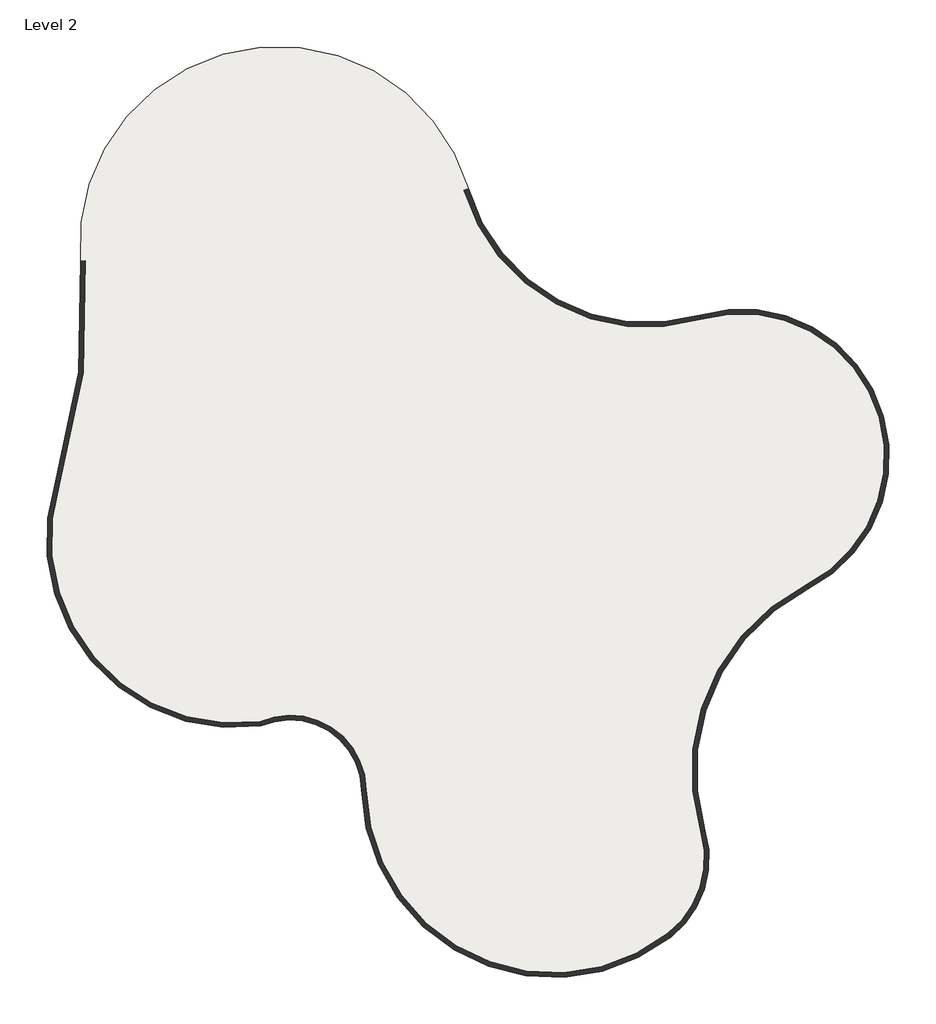
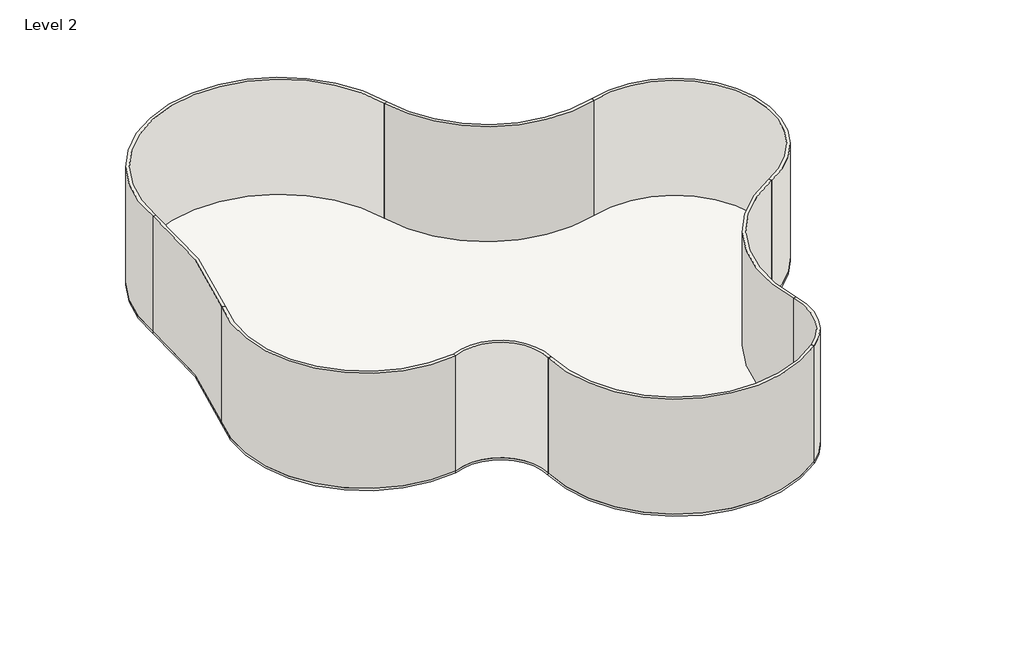
# One storey: 9 walls, 1 slab.
"""IFC4 building model written with IfcOpenShell, lengths in millimetres."""

from ifc_helpers import new_model, si_unit, point, frame, frame_2d, origin, place, context, project, spatial, polyline, circle_curve, trimmed, segment, composite_curve, outline, extrude, element, save

model = new_model("IFC4")

# Units and contexts
model_context = context("Model", 3, world=origin())
ifc_project = project(units=[si_unit("LENGTHUNIT", "METRE", prefix="MILLI")], contexts=[model_context])

# Site, building, storey
site = spatial("IfcSite", under=ifc_project)
building = spatial("IfcBuilding", under=site)
storey = spatial("IfcBuildingStorey", under=building, Name="Level 2", Elevation=4000.0)

# Slab
placement = place(None, origin())
element("IfcSlab", 1, ObjectType="Generic 150mm", at=placement, inside=storey, context=model_context, shape_type="SweptSolid", body=[
    extrude(outline(composite_curve([segment(trimmed(circle_curve(frame_2d((7244.6925722, 20094.4801624)), 8253.3931996), [point((-673.1312016, 17764.9810761))], [point((9574.1916586, 12176.6563886))], True, "CARTESIAN"), True, "CONTINUOUS"), segment(trimmed(circle_curve(frame_2d((11423.5450735, 5890.8181495)), 6552.2416333), [point((9574.1916586, 12176.6563886))], [point((14397.3346448, 52.286998))], False, "CARTESIAN"), True, "CONTINUOUS"), segment(trimmed(circle_curve(frame_2d((18528.0765848, -8057.7237869)), 9101.3902183), [point((14397.3346448, 52.286998))], [point((9806.7743963, -10660.4515952))], True, "CARTESIAN"), True, "CONTINUOUS"), segment(trimmed(circle_curve(frame_2d((5603.7825889, -11914.7647033)), 4386.1647834), [point((9806.7743963, -10660.4515952))], [point((8297.7639542, -15376.1092268))], False, "CARTESIAN"), True, "CONTINUOUS"), segment(trimmed(circle_curve(frame_2d((3080.7002973, -8672.9987488)), 8494.0828393), [point((8297.7639542, -15376.1092268))], [point((-5411.5827115, -8847.8489097))], False, "CARTESIAN"), True, "CONTINUOUS"), segment(trimmed(circle_curve(frame_2d((-8571.8771711, -8912.9171599)), 3160.9642434), [point((-5411.5827115, -8847.8489097))], [point((-9859.9998807, -6026.3214429))], True, "CARTESIAN"), True, "CONTINUOUS"), segment(trimmed(circle_curve(frame_2d((-10999.6289551, 2275.5706585)), 8379.7474241), [point((-9859.9998807, -6026.3214429))], [point((-18981.8585127, 4825.8996923))], False, "CARTESIAN"), True, "CONTINUOUS"), segment(trimmed(circle_curve(frame_2d((-43027.8245848, 12508.6060059)), 25243.4637212), [point((-18981.8585127, 4825.8996923))], [point((-17868.4180135, 14566.93582))], True, "CARTESIAN"), True, "CONTINUOUS"), segment(trimmed(circle_curve(frame_2d((-9106.6973022, 15283.7456903)), 8790.9934714), [point((-17868.4180135, 14566.93582))], [point((-673.1312016, 17764.9810761))], False, "CARTESIAN"), True, "CONTINUOUS")], self_intersect=False)), frame((0.0, 0.0, 3850.0), z_axis=(0.0, 0.0, 1.0), x_axis=(1.0, 0.0, 0.0)), (0.0, 0.0, 1.0), 150.0),
])

# Walls
element("IfcWall", 2, ObjectType="Generic - 200mm", at=placement, inside=storey, context=model_context, shape_type="SweptSolid", body=[
    extrude(outline(composite_curve([segment(polyline([(-18981.8585127, 4825.8996923), (-18791.3460986, 4765.0308163)]), True, "CONTINUOUS"), segment(trimmed(circle_curve(frame_2d((-10999.6289551, 2275.5706585)), 8179.7474241), [point((-18791.3460986, 4765.0308163))], [point((-9914.8531582, -5831.9276851))], True, "CARTESIAN"), True, "CONTINUOUS"), segment(polyline([(-9914.8531582, -5831.9276851), (-9859.9998807, -6026.3214429)]), True, "CONTINUOUS"), segment(trimmed(circle_curve(frame_2d((-10999.6289551, 2275.5706585)), 8379.7474241), [point((-9859.9998807, -6026.3214429))], [point((-18981.8585127, 4825.8996923))], False, "CARTESIAN"), True, "CONTINUOUS")], self_intersect=False)), frame((0.0, 0.0, 4000.0), z_axis=(0.0, 0.0, 1.0), x_axis=(1.0, 0.0, 0.0)), (0.0, 0.0, 1.0), 8000.0),
])
element("IfcWall", 3, ObjectType="Generic - 200mm", at=placement, inside=storey, context=model_context, shape_type="SweptSolid", body=[
    extrude(outline(composite_curve([segment(polyline([(-17868.4180135, 14566.93582), (-17669.0839851, 14583.2436439)]), True, "CONTINUOUS"), segment(trimmed(circle_curve(frame_2d((-43027.8245848, 12508.6060059)), 25443.4637212), [point((-17669.0839851, 14583.2436439))], [point((-18791.3460986, 4765.0308163))], False, "CARTESIAN"), True, "CONTINUOUS"), segment(polyline([(-18791.3460986, 4765.0308163), (-18981.8585127, 4825.8996923)]), True, "CONTINUOUS"), segment(trimmed(circle_curve(frame_2d((-43027.8245848, 12508.6060059)), 25243.4637212), [point((-18981.8585127, 4825.8996923))], [point((-17868.4180135, 14566.93582))], True, "CARTESIAN"), True, "CONTINUOUS")], self_intersect=False)), frame((0.0, 0.0, 4000.0), z_axis=(0.0, 0.0, 1.0), x_axis=(1.0, 0.0, 0.0)), (0.0, 0.0, 1.0), 8000.0),
])
element("IfcWall", 4, ObjectType="Generic - 200mm", at=placement, inside=storey, context=model_context, shape_type="SweptSolid", body=[
    extrude(outline(composite_curve([segment(polyline([(-673.1312016, 17764.9810761), (-864.9995297, 17708.5315885)]), True, "CONTINUOUS"), segment(trimmed(circle_curve(frame_2d((-9106.6973022, 15283.7456903)), 8590.9934714), [point((-864.9995297, 17708.5315885))], [point((-17669.0839851, 14583.2436439))], True, "CARTESIAN"), True, "CONTINUOUS"), segment(polyline([(-17669.0839851, 14583.2436439), (-17868.4180135, 14566.93582)]), True, "CONTINUOUS"), segment(trimmed(circle_curve(frame_2d((-9106.6973022, 15283.7456903)), 8790.9934714), [point((-17868.4180135, 14566.93582))], [point((-673.1312016, 17764.9810761))], False, "CARTESIAN"), True, "CONTINUOUS")], self_intersect=False)), frame((0.0, 0.0, 4000.0), z_axis=(0.0, 0.0, 1.0), x_axis=(1.0, 0.0, 0.0)), (0.0, 0.0, 1.0), 8000.0),
])
element("IfcWall", 5, ObjectType="Generic - 200mm", at=placement, inside=storey, context=model_context, shape_type="SweptSolid", body=[
    extrude(outline(composite_curve([segment(polyline([(9574.1916586, 12176.6563886), (9630.6411462, 11984.7880605)]), True, "CONTINUOUS"), segment(trimmed(circle_curve(frame_2d((7244.6925722, 20094.4801624)), 8453.3931996), [point((9630.6411462, 11984.7880605))], [point((-864.9995297, 17708.5315885))], False, "CARTESIAN"), True, "CONTINUOUS"), segment(polyline([(-864.9995297, 17708.5315885), (-673.1312016, 17764.9810761)]), True, "CONTINUOUS"), segment(trimmed(circle_curve(frame_2d((7244.6925722, 20094.4801624)), 8253.3931996), [point((-673.1312016, 17764.9810761))], [point((9574.1916586, 12176.6563886))], True, "CARTESIAN"), True, "CONTINUOUS")], self_intersect=False)), frame((0.0, 0.0, 4000.0), z_axis=(0.0, 0.0, 1.0), x_axis=(1.0, 0.0, 0.0)), (0.0, 0.0, 1.0), 8000.0),
])
element("IfcWall", 6, ObjectType="Generic - 200mm", at=placement, inside=storey, context=model_context, shape_type="SweptSolid", body=[
    extrude(outline(composite_curve([segment(polyline([(14397.3346448, 52.286998), (14306.562975, 230.5017672)]), True, "CONTINUOUS"), segment(trimmed(circle_curve(frame_2d((11423.5450735, 5890.8181495)), 6352.2416333), [point((14306.562975, 230.5017672))], [point((9630.6411462, 11984.7880605))], True, "CARTESIAN"), True, "CONTINUOUS"), segment(polyline([(9630.6411462, 11984.7880605), (9574.1916586, 12176.6563886)]), True, "CONTINUOUS"), segment(trimmed(circle_curve(frame_2d((11423.5450735, 5890.8181495)), 6552.2416333), [point((9574.1916586, 12176.6563886))], [point((14397.3346448, 52.286998))], False, "CARTESIAN"), True, "CONTINUOUS")], self_intersect=False)), frame((0.0, 0.0, 4000.0), z_axis=(0.0, 0.0, 1.0), x_axis=(1.0, 0.0, 0.0)), (0.0, 0.0, 1.0), 8000.0),
])
element("IfcWall", 7, ObjectType="Generic - 200mm", at=placement, inside=storey, context=model_context, shape_type="SweptSolid", body=[
    extrude(outline(composite_curve([segment(polyline([(9806.7743963, -10660.4515952), (9615.1267034, -10717.6456665)]), True, "CONTINUOUS"), segment(trimmed(circle_curve(frame_2d((18528.0765848, -8057.7237869)), 9301.3902183), [point((9615.1267034, -10717.6456665))], [point((14306.562975, 230.5017672))], False, "CARTESIAN"), True, "CONTINUOUS"), segment(polyline([(14306.562975, 230.5017672), (14397.3346448, 52.286998)]), True, "CONTINUOUS"), segment(trimmed(circle_curve(frame_2d((18528.0765848, -8057.7237869)), 9101.3902183), [point((14397.3346448, 52.286998))], [point((9806.7743963, -10660.4515952))], True, "CARTESIAN"), True, "CONTINUOUS")], self_intersect=False)), frame((0.0, 0.0, 4000.0), z_axis=(0.0, 0.0, 1.0), x_axis=(1.0, 0.0, 0.0)), (0.0, 0.0, 1.0), 8000.0),
])
element("IfcWall", 8, ObjectType="Generic - 200mm", at=placement, inside=storey, context=model_context, shape_type="SweptSolid", body=[
    extrude(outline(composite_curve([segment(polyline([(8297.7639542, -15376.1092268), (8174.9240019, -15218.2791089)]), True, "CONTINUOUS"), segment(trimmed(circle_curve(frame_2d((5603.7825889, -11914.7647033)), 4186.1647834), [point((8174.9240019, -15218.2791089))], [point((9615.1267034, -10717.6456665))], True, "CARTESIAN"), True, "CONTINUOUS"), segment(polyline([(9615.1267034, -10717.6456665), (9806.7743963, -10660.4515952)]), True, "CONTINUOUS"), segment(trimmed(circle_curve(frame_2d((5603.7825889, -11914.7647033)), 4386.1647834), [point((9806.7743963, -10660.4515952))], [point((8297.7639542, -15376.1092268))], False, "CARTESIAN"), True, "CONTINUOUS")], self_intersect=False)), frame((0.0, 0.0, 4000.0), z_axis=(0.0, 0.0, 1.0), x_axis=(1.0, 0.0, 0.0)), (0.0, 0.0, 1.0), 8000.0),
])
element("IfcWall", 9, ObjectType="Generic - 200mm", at=placement, inside=storey, context=model_context, shape_type="SweptSolid", body=[
    extrude(outline(composite_curve([segment(polyline([(-5411.5827115, -8847.8489097), (-5211.62509, -8843.7319223)]), True, "CONTINUOUS"), segment(trimmed(circle_curve(frame_2d((3080.7002973, -8672.9987488)), 8294.0828393), [point((-5211.62509, -8843.7319223))], [point((8174.9240019, -15218.2791089))], True, "CARTESIAN"), True, "CONTINUOUS"), segment(polyline([(8174.9240019, -15218.2791089), (8297.7639542, -15376.1092268)]), True, "CONTINUOUS"), segment(trimmed(circle_curve(frame_2d((3080.7002973, -8672.9987488)), 8494.0828393), [point((8297.7639542, -15376.1092268))], [point((-5411.5827115, -8847.8489097))], False, "CARTESIAN"), True, "CONTINUOUS")], self_intersect=False)), frame((0.0, 0.0, 4000.0), z_axis=(0.0, 0.0, 1.0), x_axis=(1.0, 0.0, 0.0)), (0.0, 0.0, 1.0), 8000.0),
])
element("IfcWall", 10, ObjectType="Generic - 200mm", at=placement, inside=storey, context=model_context, shape_type="SweptSolid", body=[
    extrude(outline(composite_curve([segment(polyline([(-9859.9998807, -6026.3214429), (-9914.8531582, -5831.9276851)]), True, "CONTINUOUS"), segment(trimmed(circle_curve(frame_2d((-8571.8771711, -8912.9171599)), 3360.9642434), [point((-9914.8531582, -5831.9276851))], [point((-5211.62509, -8843.7319223))], False, "CARTESIAN"), True, "CONTINUOUS"), segment(polyline([(-5211.62509, -8843.7319223), (-5411.5827115, -8847.8489097)]), True, "CONTINUOUS"), segment(trimmed(circle_curve(frame_2d((-8571.8771711, -8912.9171599)), 3160.9642434), [point((-5411.5827115, -8847.8489097))], [point((-9859.9998807, -6026.3214429))], True, "CARTESIAN"), True, "CONTINUOUS")], self_intersect=False)), frame((0.0, 0.0, 4000.0), z_axis=(0.0, 0.0, 1.0), x_axis=(1.0, 0.0, 0.0)), (0.0, 0.0, 1.0), 8000.0),
])

save(model, "model.ifc")
